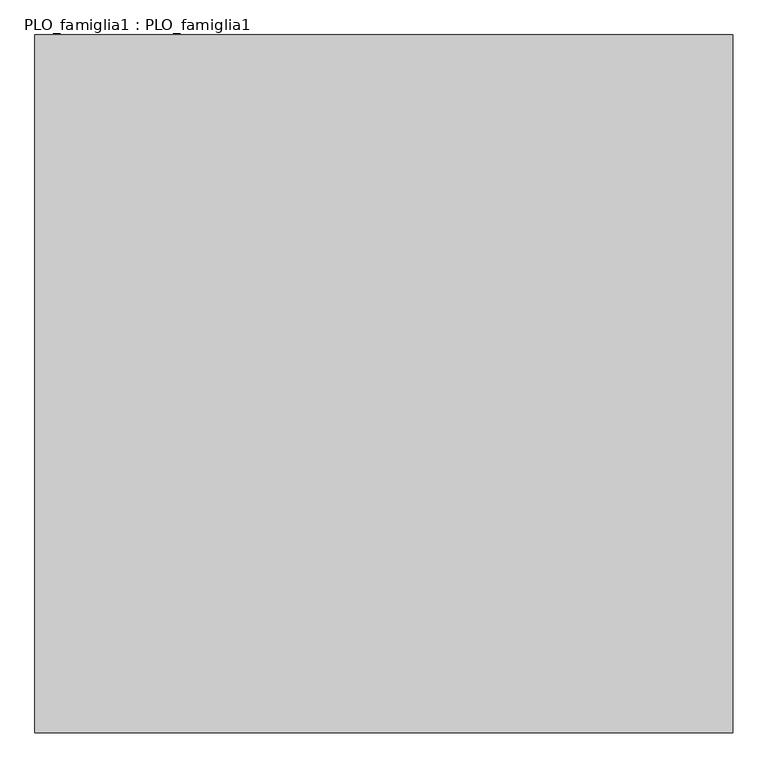
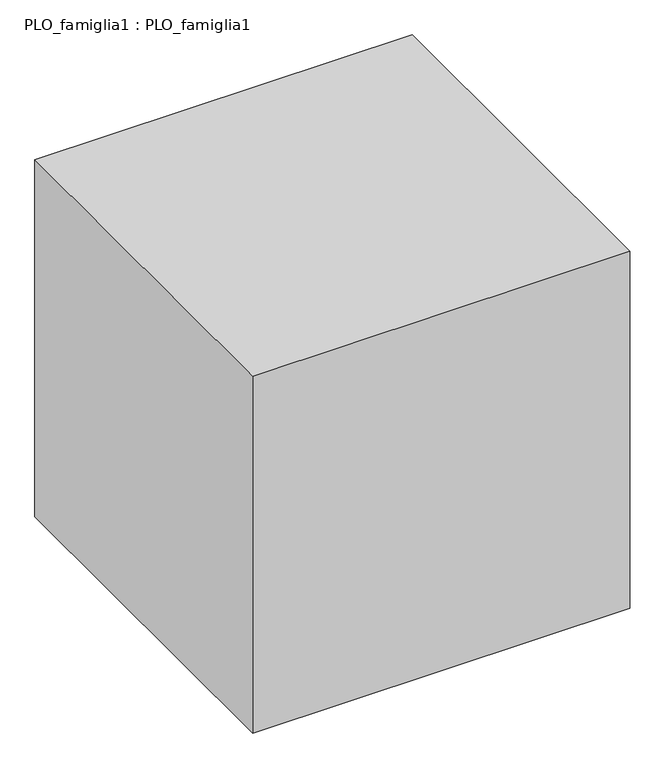
"""IFC4 building model written with IfcOpenShell, lengths in millimetres: proxy geometry, PLO_famiglia1 : PLO_famiglia1."""

from ifc_helpers import new_model, si_unit, origin, origin_with_axes, place, context, project, spatial, polyline, outline, extrude, source, transform, mapped, element, save


def plo_famiglia1_plo_famiglia1_d864e39d(model_context):
    return source(origin(), model_context, "Body", "SweptSolid", [
        extrude(outline(polyline([(3000.0, 0.0), (3000.0, -3000.0), (0.0, -3000.0), (0.0, 0.0), (3000.0, 0.0)])), origin_with_axes(), (0.0, 0.0, 1.0), 3000.0),
    ])


if __name__ == "__main__":
    model = new_model("IFC4")
    model_context = context("Model", 3, world=origin())
    ifc_project = project(units=[si_unit("LENGTHUNIT", "METRE", prefix="MILLI")], contexts=[model_context])
    site = spatial("IfcSite", under=ifc_project)
    building = spatial("IfcBuilding", under=site)
    placement = place(None, origin())
    plo_famiglia1_plo_famiglia1_shape = plo_famiglia1_plo_famiglia1_d864e39d(model_context)
    element("IfcBuildingElementProxy", 1, Name="PLO_famiglia1 : PLO_famiglia1", ObjectType="PLO_famiglia1 : PLO_famiglia1", at=placement, inside=building, context=model_context, shape_type="MappedRepresentation", body=[
        mapped(plo_famiglia1_plo_famiglia1_shape, transform((0.0, 0.0, 0.0), x_axis=(1.0, 0.0, 0.0), y_axis=(0.0, 1.0, 0.0), z_axis=(0.0, 0.0, 1.0))),
    ])
    save(model, "model.ifc")
